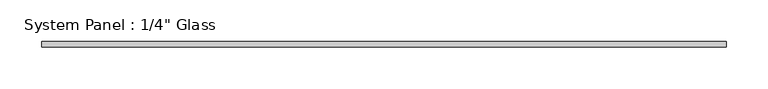
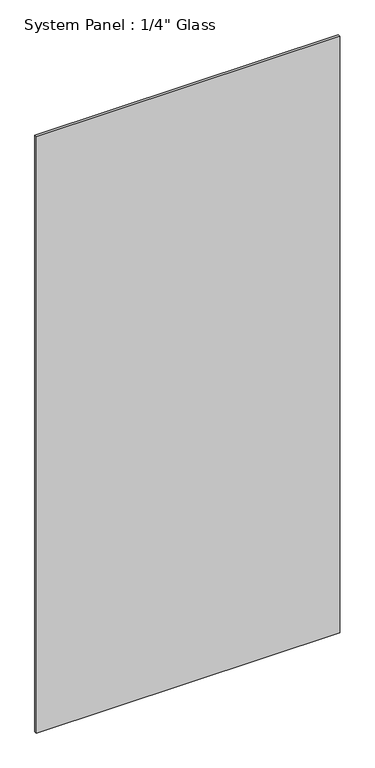
"""IFC4 building model written with IfcOpenShell, lengths in millimetres: plate geometry."""

from ifc_helpers import new_model, si_unit, origin, origin_with_axes, place, context, project, spatial, polyline, outline, extrude, source, transform, mapped, element, save


def plate_c64e5929(model_context):
    return source(origin(), model_context, "Body", "SweptSolid", [
        extrude(outline(polyline([(407.9875, -3.175), (-407.9875, -3.175), (-407.9875, 3.175), (407.9875, 3.175), (407.9875, -3.175)])), origin_with_axes(), (0.0, 0.0, 1.0), 1695.45),
    ])


if __name__ == "__main__":
    model = new_model("IFC4")
    model_context = context("Model", 3, world=origin())
    ifc_project = project(units=[si_unit("LENGTHUNIT", "METRE", prefix="MILLI")], contexts=[model_context])
    site = spatial("IfcSite", under=ifc_project)
    building = spatial("IfcBuilding", under=site)
    placement = place(None, origin())
    plate_shape = plate_c64e5929(model_context)
    element("IfcPlate", 1, ObjectType="System Panel : 1/4\" Glass", at=placement, inside=building, context=model_context, shape_type="MappedRepresentation", body=[
        mapped(plate_shape, transform((0.0, 0.0, 0.0), x_axis=(1.0, 0.0, 0.0), y_axis=(0.0, 1.0, 0.0), z_axis=(0.0, 0.0, 1.0))),
    ])
    save(model, "model.ifc")
